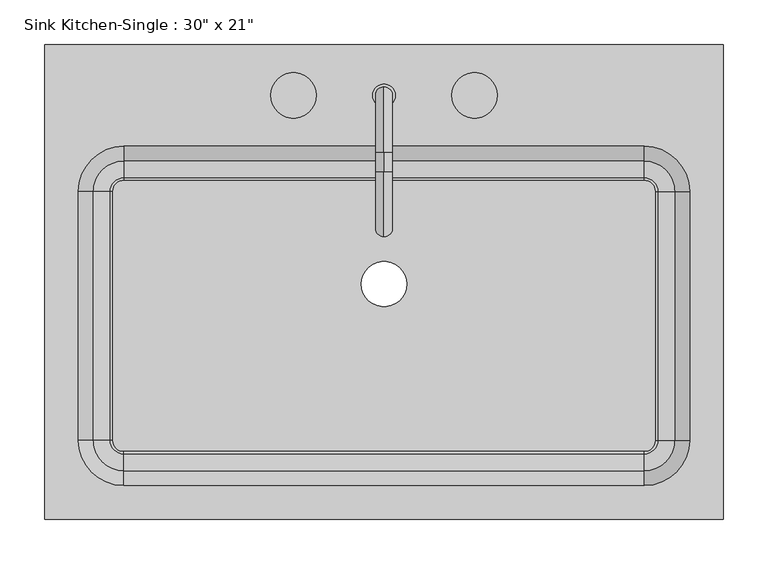
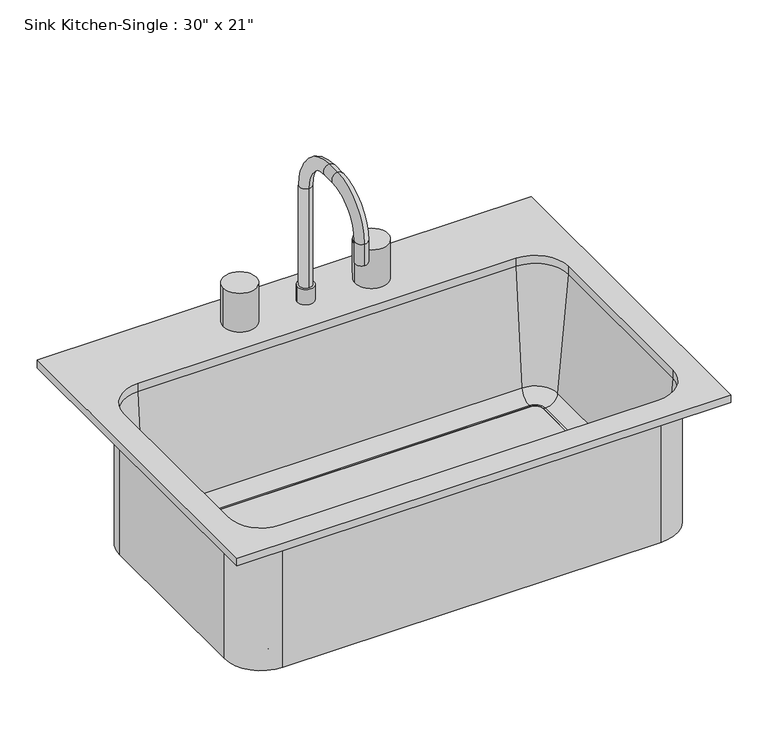
"""IFC4 building model written with IfcOpenShell, lengths in millimetres: flow terminal geometry."""

import ifcopenshell
import ifcopenshell.guid

model = None  # the IFC model being written
_history = None  # IfcOwnerHistory: only IFC2X3 demands one
_inside = {}  # id of a spatial element -> (the spatial element, [elements in it])
_under = {}  # id of a project, library or spatial element -> (it, [spatial elements below it])
_declared = {}  # id of a project -> (the project, [libraries it declares])
_typed = {}  # id of a type object -> (the type object, [elements of that type])
_made_of = {}  # id of a material, layer set ... -> (it, [elements and type objects made of it])


def new_model(schema):
    """Start an empty IFC model of exactly this schema.

    Asked for "IFC4X3", IfcOpenShell would pick the latest addendum, in which some entities
    have other attributes; the version numbers below select the first issue.
    IFC2X3 requires an IfcOwnerHistory on every rooted entity: one is made here for all.
    """
    global model, _history
    if schema == "IFC4X3":
        model = ifcopenshell.file(schema_version=(4, 3, 0, 0))
    else:
        model = ifcopenshell.file(schema=schema)
    _inside.clear()
    _under.clear()
    _declared.clear()
    _typed.clear()
    _made_of.clear()
    _history = None
    if model.schema == "IFC2X3":
        org = make("IfcOrganization", Name="unknown")
        user = make(
            "IfcPersonAndOrganization",
            ThePerson=make("IfcPerson", FamilyName="unknown"),
            TheOrganization=org,
        )
        app = make(
            "IfcApplication",
            ApplicationDeveloper=org,
            Version="unknown",
            ApplicationFullName="unknown",
            ApplicationIdentifier="unknown",
        )
        _history = make(
            "IfcOwnerHistory",
            OwningUser=user,
            OwningApplication=app,
            ChangeAction="ADDED",
            CreationDate=0,
        )
    return model


def make(cls, **values):
    """One entity of the class cls with the attributes given. An attribute that is None is left unset."""
    return model.create_entity(
        cls, **{name: value for name, value in values.items() if value is not None}
    )


def rooted(cls, **values):
    """An entity with a GlobalId (a new one), such as an element, a storey or a relation."""
    return make(cls, GlobalId=ifcopenshell.guid.new(), OwnerHistory=_history, **values)


def si_unit(unit_type, name, prefix=None):
    """IfcSIUnit, for example si_unit("LENGTHUNIT", "METRE", prefix="MILLI")."""
    return make("IfcSIUnit", UnitType=unit_type, Prefix=prefix, Name=name)


def assignment(units):
    """IfcUnitAssignment: the units of a project."""
    return None if units is None else make("IfcUnitAssignment", Units=units)


def point(xyz):
    """IfcCartesianPoint."""
    return None if xyz is None else make("IfcCartesianPoint", Coordinates=xyz)


def direction(xyz):
    """IfcDirection."""
    return None if xyz is None else make("IfcDirection", DirectionRatios=xyz)


def frame(location, z_axis=None, x_axis=None):
    """IfcAxis2Placement3D, a coordinate frame: its origin and axes. An axis left out is left unset."""
    return make(
        "IfcAxis2Placement3D",
        Location=point(location),
        Axis=direction(z_axis),
        RefDirection=direction(x_axis),
    )


def frame_2d(location, x_axis=None):
    """IfcAxis2Placement2D, a coordinate frame in the plane: its origin and x axis."""
    return make(
        "IfcAxis2Placement2D", Location=point(location), RefDirection=direction(x_axis)
    )


def origin():
    """The frame at (0, 0, 0) with its axes left unset."""
    return frame((0.0, 0.0, 0.0))


def place(relative_to, where):
    """IfcLocalPlacement: puts the frame where relative to a parent placement (None: the world)."""
    return make(
        "IfcLocalPlacement", PlacementRelTo=relative_to, RelativePlacement=where
    )


def context(
    kind, dimensions, precision=None, world=None, true_north=None, identifier=None
):
    """IfcGeometricRepresentationContext, for example the 3D "Model" context."""
    return make(
        "IfcGeometricRepresentationContext",
        ContextIdentifier=identifier,
        ContextType=kind,
        CoordinateSpaceDimension=dimensions,
        Precision=precision,
        WorldCoordinateSystem=world,
        TrueNorth=true_north,
    )


def project(units=None, contexts=None):
    """IfcProject with its units and contexts."""
    return rooted(
        "IfcProject",
        Name="project",
        RepresentationContexts=contexts,
        UnitsInContext=assignment(units),
    )


def spatial(cls, under=None, at=None, **own):
    """A site, building, storey or space (cls), placed at a placement, below another one or the project."""
    s = rooted(cls, ObjectPlacement=at, **own)
    if under is not None:
        _under.setdefault(under.id(), (under, []))[1].append(s)
    return s


def polyline(points):
    """IfcPolyline through the points."""
    return make("IfcPolyline", Points=[point(p) for p in points])


def circle_curve(where, radius):
    """IfcCircle in the frame where."""
    return make("IfcCircle", Position=where, Radius=radius)


def ellipse_curve(where, semi_axis1, semi_axis2):
    """IfcEllipse in the frame where."""
    return make(
        "IfcEllipse", Position=where, SemiAxis1=semi_axis1, SemiAxis2=semi_axis2
    )


def trimmed(basis, trim1, trim2, sense, master):
    """IfcTrimmedCurve: the piece of a basis curve between two trims."""
    return make(
        "IfcTrimmedCurve",
        BasisCurve=basis,
        Trim1=trim1,
        Trim2=trim2,
        SenseAgreement=sense,
        MasterRepresentation=master,
    )


def segment(curve, same_sense, transition):
    """IfcCompositeCurveSegment."""
    return make(
        "IfcCompositeCurveSegment",
        Transition=transition,
        SameSense=same_sense,
        ParentCurve=curve,
    )


def composite_curve(segments, self_intersect=None):
    """IfcCompositeCurve: segments joined end to end."""
    return make("IfcCompositeCurve", Segments=segments, SelfIntersect=self_intersect)


def outline(outer, holes=None, kind="AREA"):
    """IfcArbitraryClosedProfileDef: a profile drawn as a closed curve; with holes, ...WithVoids."""
    if holes is None:
        return make("IfcArbitraryClosedProfileDef", ProfileType=kind, OuterCurve=outer)
    return make(
        "IfcArbitraryProfileDefWithVoids",
        ProfileType=kind,
        OuterCurve=outer,
        InnerCurves=holes,
    )


def extrude(swept, where, along, depth):
    """IfcExtrudedAreaSolid: the profile swept, set in the frame where, extruded along a direction by depth."""
    return make(
        "IfcExtrudedAreaSolid",
        SweptArea=swept,
        Position=where,
        ExtrudedDirection=direction(along),
        Depth=depth,
    )


def shape(context_of_items, identifier, shape_type, items):
    """IfcShapeRepresentation: the items that make up one representation, for example the "Body"."""
    return make(
        "IfcShapeRepresentation",
        ContextOfItems=context_of_items,
        RepresentationIdentifier=identifier,
        RepresentationType=shape_type,
        Items=items,
    )


def source(mapping_origin, context_of_items, identifier, shape_type, items):
    """IfcRepresentationMap: a shape defined once, which mapped items show again and again."""
    return make(
        "IfcRepresentationMap",
        MappingOrigin=mapping_origin,
        MappedRepresentation=shape(context_of_items, identifier, shape_type, items),
    )


def transform(
    local_origin,
    x_axis=None,
    y_axis=None,
    z_axis=None,
    scale=None,
    scale2=None,
    scale3=None,
    uniform=True,
):
    """IfcCartesianTransformationOperator3D, or its non-uniform kind. x_axis, y_axis, z_axis: its Axis1, 2, 3."""
    if uniform:
        return make(
            "IfcCartesianTransformationOperator3D",
            Axis1=direction(x_axis),
            Axis2=direction(y_axis),
            LocalOrigin=point(local_origin),
            Scale=scale,
            Axis3=direction(z_axis),
        )
    return make(
        "IfcCartesianTransformationOperator3DnonUniform",
        Axis1=direction(x_axis),
        Axis2=direction(y_axis),
        LocalOrigin=point(local_origin),
        Scale=scale,
        Axis3=direction(z_axis),
        Scale2=scale2,
        Scale3=scale3,
    )


def mapped(mapping_source, mapping_target):
    """IfcMappedItem: shows the shape of a source again, moved by a transform."""
    return make(
        "IfcMappedItem", MappingSource=mapping_source, MappingTarget=mapping_target
    )


def made_of(thing, what):
    """Note that an element or type object is made of a material, layer set ...; save() writes the relation."""
    if what is not None:
        _made_of.setdefault(what.id(), (what, []))[1].append(thing)
    return thing


def element(
    cls,
    number,
    at=None,
    inside=None,
    cuts=None,
    type_object=None,
    material=None,
    context=None,
    identifier="Body",
    shape_type=None,
    held_by="IfcProductDefinitionShape",
    body=None,
    shapes=None,
    **own,
):
    """One element of the class cls, such as IfcWall. Its Tag is "e" and its number.

    at: its placement. inside: the storey or other place that contains it. cuts: it is an
    opening in that element (IfcRelVoidsElement). A single representation is given by context,
    identifier, shape_type and body (its items); several are given by shapes. held_by: the class
    of the entity that holds the representations. save() writes the other relations.
    """
    e = rooted(cls, Tag="e%d" % number, ObjectPlacement=at, **own)
    if body is not None:
        shapes = [shape(context, identifier, shape_type, body)]
    if shapes is not None:
        e.Representation = make(held_by, Representations=shapes)
    if inside is not None:
        _inside.setdefault(inside.id(), (inside, []))[1].append(e)
    if cuts is not None:
        rooted(
            "IfcRelVoidsElement", RelatingBuildingElement=cuts, RelatedOpeningElement=e
        )
    if type_object is not None:
        _typed.setdefault(type_object.id(), (type_object, []))[1].append(e)
    return made_of(e, material)


def aggregate(whole, parts):
    """IfcRelAggregates: a whole, such as a stair, and the parts it consists of."""
    return rooted("IfcRelAggregates", RelatingObject=whole, RelatedObjects=parts)


def save(model, path):
    """Write the relations noted so far, then the file.

    IfcRelAggregates (storeys below a building ...), IfcRelContainedInSpatialStructure (elements
    in a storey), IfcRelDefinesByType, IfcRelAssociatesMaterial and IfcRelDeclares: one each for
    every whole, place, type object, material and project.
    """
    for whole, parts in _under.values():
        aggregate(whole, parts)
    for where, things in _inside.values():
        rooted(
            "IfcRelContainedInSpatialStructure",
            RelatedElements=things,
            RelatingStructure=where,
        )
    for kind, things in _typed.values():
        rooted("IfcRelDefinesByType", RelatedObjects=things, RelatingType=kind)
    for what, things in _made_of.values():
        rooted("IfcRelAssociatesMaterial", RelatedObjects=things, RelatingMaterial=what)
    for by, libraries in _declared.values():
        rooted("IfcRelDeclares", RelatingContext=by, RelatedDefinitions=libraries)
    model.write(path)


def plane_surface(at):
    """IfcPlane: the flat surface through the origin of the frame at, square to its z axis."""
    return make("IfcPlane", Position=at)


def cylinder_surface(at, radius):
    """IfcCylindricalSurface: all points at the distance radius from the z axis of the frame at."""
    return make("IfcCylindricalSurface", Position=at, Radius=radius)


def revolved_surface(curve, axis_point, axis_direction):
    """IfcSurfaceOfRevolution: the curve turned about the line through axis_point along axis_direction."""
    return make(
        "IfcSurfaceOfRevolution",
        SweptCurve=make("IfcArbitraryOpenProfileDef", ProfileType="CURVE", Curve=curve),
        AxisPosition=make("IfcAxis1Placement", Location=point(axis_point), Axis=direction(axis_direction)),
    )


def advanced_brep(points, edges, surfaces, faces):
    """IfcAdvancedBrep: a solid bounded by faces that lie on surfaces and meet in shared edges.

    An edge is (start, end): straight between two places in points (the first is 0);
    or (start, end, curve); or (start, end, curve, False) where it runs against its curve.
    A face is (place in surfaces, loops), or (place, loops, False) where it looks against
    its surface's normal. A loop lists edges by number (the first is 1), with a minus sign
    where the edge is run from its end to its start. The first loop is the outer one.
    """
    corners = [point(p) for p in points]
    vertices = [make("IfcVertexPoint", VertexGeometry=c) for c in corners]
    made = []
    for start, end, *more in edges:
        made.append(
            make(
                "IfcEdgeCurve",
                EdgeStart=vertices[start],
                EdgeEnd=vertices[end],
                EdgeGeometry=more[0] if more else make("IfcPolyline", Points=[corners[start], corners[end]]),
                SameSense=more[1] if len(more) > 1 else True,
            )
        )
    hull = []
    for where, loops, *sense in faces:
        bounds = []
        for j, loop in enumerate(loops):
            ring = [make("IfcOrientedEdge", EdgeElement=made[abs(k) - 1], Orientation=k > 0) for k in loop]
            bounds.append(
                make(
                    "IfcFaceOuterBound" if j == 0 else "IfcFaceBound",
                    Bound=make("IfcEdgeLoop", EdgeList=ring),
                    Orientation=True,
                )
            )
        hull.append(make("IfcAdvancedFace", Bounds=bounds, FaceSurface=surfaces[where], SameSense=sense[0] if sense else True))
    return make("IfcAdvancedBrep", Outer=make("IfcClosedShell", CfsFaces=hull))


def flow_terminal_38af2918(model_context):
    return source(origin(), model_context, "Body", "SolidModel", [
        advanced_brep(
        [(396.6892406, 269.0454011, 927.1), (-365.3107594, 269.0454011, 927.1), (-365.3107594, -264.3545989, 927.1), (396.6892406, -264.3545989, 927.1), (307.7892406, 154.7454011, 927.1), (358.5892406, 103.9454011, 927.1), (358.5892406, -175.4545989, 927.1), (307.7892406, -226.2545989, 927.1), (-276.4107594, -226.2545989, 927.1), (-327.2107594, -175.4545989, 927.1), (-327.2107594, 103.9454011, 927.1), (-276.4107594, 154.7454011, 927.1), (396.6892406, 269.0454011, 914.4), (396.6892406, -264.3545989, 914.4), (-365.3107594, -264.3545989, 914.4), (-365.3107594, 269.0454011, 914.4), (364.9392406, 103.9454011, 914.4), (307.7892406, 161.0954011, 914.4), (-276.4107594, 161.0954011, 914.4), (-333.5607594, 103.9454011, 914.4), (-333.5607594, -175.4545989, 914.4), (-276.4107594, -232.6045989, 914.4), (307.7892406, -232.6045989, 914.4), (364.9392406, -175.4545989, 914.4), (307.7892406, 154.7454011, 914.4), (358.5892406, 103.9454011, 914.4), (358.5892406, -175.4545989, 914.4), (307.7892406, -226.2545989, 914.4), (-276.4107594, -226.2545989, 914.4), (-327.2107594, -175.4545989, 914.4), (-327.2107594, 103.9454011, 914.4), (-276.4107594, 154.7454011, 914.4), (364.9392406, 103.9454011, 698.5), (307.7892406, 161.0954011, 698.5), (320.4892406, 103.9454011, 698.5), (307.7892406, 116.6454011, 698.5), (320.4892406, 103.9454011, 708.025), (307.7892406, 116.6454011, 708.025), (323.0776588, 103.9454011, 708.025), (307.7892406, 119.2338193, 708.025), (342.0551678, 103.9454011, 725.4146831), (307.7892406, 138.2113283, 725.4146831), (364.9392406, -175.4545989, 698.5), (320.4892406, -175.4545989, 698.5), (320.4892406, -175.4545989, 708.025), (323.0776588, -175.4545989, 708.025), (342.0551678, -175.4545989, 725.4146831), (307.7892406, -232.6045989, 698.5), (307.7892406, -188.1545989, 698.5), (307.7892406, -188.1545989, 708.025), (307.7892406, -190.7430171, 708.025), (307.7892406, -209.7205261, 725.4146831), (-276.4107594, -232.6045989, 698.5), (-276.4107594, -188.1545989, 698.5), (-276.4107594, -188.1545989, 708.025), (-276.4107594, -190.7430171, 708.025), (-276.4107594, -209.7205261, 725.4146831), (-333.5607594, -175.4545989, 698.5), (-289.1107594, -175.4545989, 698.5), (-289.1107594, -175.4545989, 708.025), (-291.6991776, -175.4545989, 708.025), (-310.6766866, -175.4545989, 725.4146831), (-333.5607594, 103.9454011, 698.5), (-289.1107594, 103.9454011, 698.5), (-289.1107594, 103.9454011, 708.025), (-291.6991776, 103.9454011, 708.025), (-310.6766866, 103.9454011, 725.4146831), (-276.4107594, 161.0954011, 698.5), (-276.4107594, 116.6454011, 698.5), (-276.4107594, 116.6454011, 708.025), (-276.4107594, 119.2338193, 708.025), (-276.4107594, 138.2113283, 725.4146831)],
        [
            (0, 1),
            (1, 2),
            (2, 3),
            (3, 0),
            (4, 5, circle_curve(frame((307.7892406, 103.9454011, 927.1), z_axis=(0.0, 0.0, -1.0), x_axis=(1.0, 0.0, 0.0)), 50.8)),
            (5, 6),
            (6, 7, circle_curve(frame((307.7892406, -175.4545989, 927.1), z_axis=(0.0, 0.0, -1.0), x_axis=(1.0, 0.0, 0.0)), 50.8)),
            (7, 8),
            (8, 9, circle_curve(frame((-276.4107594, -175.4545989, 927.1), z_axis=(0.0, 0.0, -1.0), x_axis=(1.0, 0.0, 0.0)), 50.8)),
            (9, 10),
            (10, 11, circle_curve(frame((-276.4107594, 103.9454011, 927.1), z_axis=(0.0, 0.0, -1.0), x_axis=(1.0, 0.0, 0.0)), 50.8)),
            (11, 4),
            (12, 13),
            (13, 14),
            (14, 15),
            (15, 12),
            (16, 17, circle_curve(frame((307.7892406, 103.9454011, 914.4), z_axis=(0.0, 0.0, 1.0), x_axis=(0.0, 1.0, 0.0)), 57.15)),
            (17, 18),
            (18, 19, circle_curve(frame((-276.4107594, 103.9454011, 914.4), z_axis=(0.0, 0.0, 1.0), x_axis=(-1.0, 0.0, 0.0)), 57.15)),
            (19, 20),
            (20, 21, circle_curve(frame((-276.4107594, -175.4545989, 914.4), z_axis=(0.0, 0.0, 1.0), x_axis=(0.0, -1.0, 0.0)), 57.15)),
            (21, 22),
            (22, 23, circle_curve(frame((307.7892406, -175.4545989, 914.4), z_axis=(0.0, 0.0, 1.0), x_axis=(1.0, 0.0, 0.0)), 57.15)),
            (23, 16),
            (0, 12),
            (15, 1),
            (14, 2),
            (13, 3),
            (4, 24),
            (24, 25, circle_curve(frame((307.7892406, 103.9454011, 914.4), z_axis=(0.0, 0.0, -1.0), x_axis=(1.0, 0.0, 0.0)), 50.8)),
            (25, 5),
            (25, 26),
            (26, 6),
            (26, 27, circle_curve(frame((307.7892406, -175.4545989, 914.4), z_axis=(0.0, 0.0, -1.0), x_axis=(1.0, 0.0, 0.0)), 50.8)),
            (27, 7),
            (27, 28),
            (28, 8),
            (28, 29, circle_curve(frame((-276.4107594, -175.4545989, 914.4), z_axis=(0.0, 0.0, -1.0), x_axis=(1.0, 0.0, 0.0)), 50.8)),
            (29, 9),
            (29, 30),
            (30, 10),
            (30, 31, circle_curve(frame((-276.4107594, 103.9454011, 914.4), z_axis=(0.0, 0.0, -1.0), x_axis=(1.0, 0.0, 0.0)), 50.8)),
            (31, 11),
            (31, 24),
            (32, 33, circle_curve(frame((307.7892406, 103.9454011, 698.5), z_axis=(0.0, 0.0, 1.0), x_axis=(0.0, 1.0, 0.0)), 57.15)),
            (33, 17),
            (16, 32),
            (32, 34),
            (34, 35, circle_curve(frame((307.7892406, 103.9454011, 698.5), z_axis=(0.0, 0.0, 1.0), x_axis=(0.0, 1.0, 0.0)), 12.7)),
            (35, 33),
            (34, 36),
            (36, 37, circle_curve(frame((307.7892406, 103.9454011, 708.025), z_axis=(0.0, 0.0, 1.0), x_axis=(0.0, 1.0, 0.0)), 12.7)),
            (37, 35),
            (36, 38),
            (38, 39, circle_curve(frame((307.7892406, 103.9454011, 708.025), z_axis=(0.0, 0.0, 1.0), x_axis=(0.0, 1.0, 0.0)), 15.2884182)),
            (39, 37),
            (38, 40, circle_curve(frame((323.0776588, 103.9454011, 727.075), z_axis=(0.0, -1.0, 0.0), x_axis=(1.0, 0.0, 0.0)), 19.05)),
            (40, 41, circle_curve(frame((307.7892406, 103.9454011, 725.4146831), z_axis=(0.0, 0.0, 1.0), x_axis=(0.0, 1.0, 0.0)), 34.2659272)),
            (41, 39, circle_curve(frame((307.7892406, 119.2338193, 727.075), z_axis=(-1.0, 0.0, 0.0), x_axis=(0.0, 1.0, 0.0)), 19.05)),
            (40, 25),
            (24, 41),
            (23, 42),
            (42, 32),
            (42, 43),
            (43, 34),
            (43, 44),
            (44, 36),
            (44, 45),
            (45, 38),
            (45, 46, circle_curve(frame((323.0776588, -175.4545989, 727.075), z_axis=(0.0, -1.0, 0.0), x_axis=(1.0, 0.0, 0.0)), 19.05)),
            (46, 40),
            (46, 26),
            (22, 47),
            (47, 42, circle_curve(frame((307.7892406, -175.4545989, 698.5), z_axis=(0.0, 0.0, 1.0), x_axis=(1.0, 0.0, 0.0)), 57.15)),
            (47, 48),
            (48, 43, circle_curve(frame((307.7892406, -175.4545989, 698.5), z_axis=(0.0, 0.0, 1.0), x_axis=(1.0, 0.0, 0.0)), 12.7)),
            (48, 49),
            (49, 44, circle_curve(frame((307.7892406, -175.4545989, 708.025), z_axis=(0.0, 0.0, 1.0), x_axis=(1.0, 0.0, 0.0)), 12.7)),
            (49, 50),
            (50, 45, circle_curve(frame((307.7892406, -175.4545989, 708.025), z_axis=(0.0, 0.0, 1.0), x_axis=(1.0, 0.0, 0.0)), 15.2884182)),
            (50, 51, circle_curve(frame((307.7892406, -190.7430171, 727.075), z_axis=(-1.0, 0.0, 0.0), x_axis=(0.0, -1.0, 0.0)), 19.05)),
            (51, 46, circle_curve(frame((307.7892406, -175.4545989, 725.4146831), z_axis=(0.0, 0.0, 1.0), x_axis=(1.0, 0.0, 0.0)), 34.2659272)),
            (51, 27),
            (21, 52),
            (52, 47),
            (52, 53),
            (53, 48),
            (53, 54),
            (54, 49),
            (54, 55),
            (55, 50),
            (55, 56, circle_curve(frame((-276.4107594, -190.7430171, 727.075), z_axis=(-1.0, 0.0, 0.0), x_axis=(0.0, -1.0, 0.0)), 19.05)),
            (56, 51),
            (56, 28),
            (20, 57),
            (57, 52, circle_curve(frame((-276.4107594, -175.4545989, 698.5), z_axis=(0.0, 0.0, 1.0), x_axis=(0.0, -1.0, 0.0)), 57.15)),
            (57, 58),
            (58, 53, circle_curve(frame((-276.4107594, -175.4545989, 698.5), z_axis=(0.0, 0.0, 1.0), x_axis=(0.0, -1.0, 0.0)), 12.7)),
            (58, 59),
            (59, 54, circle_curve(frame((-276.4107594, -175.4545989, 708.025), z_axis=(0.0, 0.0, 1.0), x_axis=(0.0, -1.0, 0.0)), 12.7)),
            (59, 60),
            (60, 55, circle_curve(frame((-276.4107594, -175.4545989, 708.025), z_axis=(0.0, 0.0, 1.0), x_axis=(0.0, -1.0, 0.0)), 15.2884182)),
            (60, 61, circle_curve(frame((-291.6991776, -175.4545989, 727.075), z_axis=(0.0, 1.0, 0.0), x_axis=(-1.0, 0.0, 0.0)), 19.05)),
            (61, 56, circle_curve(frame((-276.4107594, -175.4545989, 725.4146831), z_axis=(0.0, 0.0, 1.0), x_axis=(0.0, -1.0, 0.0)), 34.2659272)),
            (61, 29),
            (19, 62),
            (62, 57),
            (62, 63),
            (63, 58),
            (63, 64),
            (64, 59),
            (64, 65),
            (65, 60),
            (65, 66, circle_curve(frame((-291.6991776, 103.9454011, 727.075), z_axis=(0.0, 1.0, 0.0), x_axis=(-1.0, 0.0, 0.0)), 19.05)),
            (66, 61),
            (66, 30),
            (18, 67),
            (67, 62, circle_curve(frame((-276.4107594, 103.9454011, 698.5), z_axis=(0.0, 0.0, 1.0), x_axis=(-1.0, 0.0, 0.0)), 57.15)),
            (67, 68),
            (68, 63, circle_curve(frame((-276.4107594, 103.9454011, 698.5), z_axis=(0.0, 0.0, 1.0), x_axis=(-1.0, 0.0, 0.0)), 12.7)),
            (68, 69),
            (69, 64, circle_curve(frame((-276.4107594, 103.9454011, 708.025), z_axis=(0.0, 0.0, 1.0), x_axis=(-1.0, 0.0, 0.0)), 12.7)),
            (69, 70),
            (70, 65, circle_curve(frame((-276.4107594, 103.9454011, 708.025), z_axis=(0.0, 0.0, 1.0), x_axis=(-1.0, 0.0, 0.0)), 15.2884182)),
            (70, 71, circle_curve(frame((-276.4107594, 119.2338193, 727.075), z_axis=(1.0, 0.0, 0.0), x_axis=(0.0, 1.0, 0.0)), 19.05)),
            (71, 66, circle_curve(frame((-276.4107594, 103.9454011, 725.4146831), z_axis=(0.0, 0.0, 1.0), x_axis=(-1.0, 0.0, 0.0)), 34.2659272)),
            (71, 31),
            (33, 67),
            (35, 68),
            (37, 69),
            (39, 70),
            (41, 71),
        ],
        [
            plane_surface(frame((-365.3107594, 269.0454011, 927.1), z_axis=(0.0, 0.0, 1.0), x_axis=(-1.0, 0.0, 0.0))),
            plane_surface(frame((-365.3107594, 269.0454011, 914.4), z_axis=(0.0, 0.0, -1.0), x_axis=(1.0, 0.0, 0.0))),
            plane_surface(frame((396.6892406, 269.0454011, 927.1), z_axis=(0.0, 1.0, 0.0), x_axis=(0.0, 0.0, -1.0))),
            plane_surface(frame((-365.3107594, 269.0454011, 927.1), z_axis=(-1.0, 0.0, 0.0), x_axis=(0.0, 0.0, -1.0))),
            plane_surface(frame((-365.3107594, -264.3545989, 927.1), z_axis=(0.0, -1.0, 0.0), x_axis=(0.0, 0.0, -1.0))),
            plane_surface(frame((396.6892406, -264.3545989, 927.1), z_axis=(1.0, 0.0, 0.0), x_axis=(0.0, 0.0, -1.0))),
            revolved_surface(polyline([(358.58924060000004, 103.9454011, 914.4), (358.58924060000004, 103.9454011, 927.1)]), (307.7892406, 103.9454011, 0.0), (0.0, 0.0, -1.0)),
            plane_surface(frame((358.5892406, 103.9454011, 927.1), z_axis=(-1.0, 0.0, 0.0), x_axis=(0.0, 0.0, -1.0))),
            revolved_surface(polyline([(358.58924060000004, -175.4545989, 914.4), (358.58924060000004, -175.4545989, 927.1)]), (307.7892406, -175.4545989, 0.0), (0.0, 0.0, -1.0)),
            plane_surface(frame((307.7892406, -226.2545989, 927.1), z_axis=(0.0, 1.0, 0.0), x_axis=(0.0, 0.0, -1.0))),
            revolved_surface(polyline([(-225.6107594, -175.4545989, 914.4), (-225.6107594, -175.4545989, 927.1)]), (-276.4107594, -175.4545989, 0.0), (0.0, 0.0, -1.0)),
            plane_surface(frame((-327.2107594, -175.4545989, 927.1), z_axis=(1.0, 0.0, 0.0), x_axis=(0.0, 0.0, -1.0))),
            revolved_surface(polyline([(-225.6107594, 103.9454011, 914.4), (-225.6107594, 103.9454011, 927.1)]), (-276.4107594, 103.9454011, 0.0), (0.0, 0.0, -1.0)),
            plane_surface(frame((-276.4107594, 154.7454011, 927.1), z_axis=(0.0, -1.0, 0.0), x_axis=(0.0, 0.0, -1.0))),
            cylinder_surface(frame((307.7892406, 103.9454011, 0.0), z_axis=(0.0, 0.0, -1.0), x_axis=(0.0, 1.0, 0.0)), 57.15),
            plane_surface(frame((307.7892406, 103.9454011, 698.5), z_axis=(0.0, 0.0, -1.0), x_axis=(0.0, 1.0, 0.0))),
            revolved_surface(polyline([(307.7892406, 116.6454011, 698.5), (307.7892406, 116.6454011, 708.025)]), (307.7892406, 103.9454011, 0.0), (0.0, 0.0, -1.0)),
            plane_surface(frame((307.7892406, 103.9454011, 708.025), z_axis=(0.0, 0.0, 1.0), x_axis=(0.0, 1.0, 0.0))),
            revolved_surface(trimmed(ellipse_curve(frame((307.7892406, 119.2338193, 727.075), z_axis=(1.0, 0.0, 0.0), x_axis=(0.0, 1.0, 0.0)), 19.05, 19.05), [point((307.7892406, 119.2338193, 708.025))], [point((307.7892406, 138.2113283, 725.4146831))], True, "CARTESIAN"), (307.7892406, 103.9454011, 0.0), (0.0, 0.0, -1.0)),
            revolved_surface(polyline([(307.7892406, 138.2113283, 725.4146831), (307.7892406, 154.7454011, 914.4)]), (307.7892406, 103.9454011, 0.0), (0.0, 0.0, -1.0)),
            plane_surface(frame((364.9392406, 103.9454011, 914.4), z_axis=(1.0, 0.0, 0.0), x_axis=(0.0, -1.0, 0.0))),
            plane_surface(frame((364.9392406, 103.9454011, 698.5), z_axis=(0.0, 0.0, -1.0), x_axis=(0.0, -1.0, 0.0))),
            plane_surface(frame((320.4892406, 103.9454011, 698.5), z_axis=(-1.0, 0.0, 0.0), x_axis=(0.0, -1.0, 0.0))),
            plane_surface(frame((320.4892406, 103.9454011, 708.025), z_axis=(0.0, 0.0, 1.0), x_axis=(0.0, -1.0, 0.0))),
            revolved_surface(polyline([(342.1276588, -175.45459889999998, 727.075), (342.1276588, 103.9454011, 727.075)]), (323.0776588, 103.9454011, 727.075), (0.0, -1.0, 0.0)),
            plane_surface(frame((342.0551678, 103.9454011, 725.4146831), z_axis=(-0.9961946980917442, 0.0, 0.08715574274767306), x_axis=(0.0, -1.0, 0.0))),
            cylinder_surface(frame((307.7892406, -175.4545989, 0.0), z_axis=(0.0, 0.0, -1.0), x_axis=(1.0, 0.0, 0.0)), 57.15),
            plane_surface(frame((307.7892406, -175.4545989, 698.5), z_axis=(0.0, 0.0, -1.0), x_axis=(1.0, 0.0, 0.0))),
            revolved_surface(polyline([(320.4892406, -175.4545989, 698.5), (320.4892406, -175.4545989, 708.025)]), (307.7892406, -175.4545989, 0.0), (0.0, 0.0, -1.0)),
            plane_surface(frame((307.7892406, -175.4545989, 708.025), z_axis=(0.0, 0.0, 1.0), x_axis=(1.0, 0.0, 0.0))),
            revolved_surface(trimmed(ellipse_curve(frame((323.0776588, -175.4545989, 727.075), z_axis=(0.0, -1.0, 0.0), x_axis=(1.0, 0.0, 0.0)), 19.05, 19.05), [point((323.0776588, -175.4545989, 708.025))], [point((342.0551678, -175.4545989, 725.4146831))], True, "CARTESIAN"), (307.7892406, -175.4545989, 0.0), (0.0, 0.0, -1.0)),
            revolved_surface(polyline([(342.0551678, -175.4545989, 725.4146831), (358.5892406, -175.4545989, 914.4)]), (307.7892406, -175.4545989, 0.0), (0.0, 0.0, -1.0)),
            plane_surface(frame((307.7892406, -232.6045989, 914.4), z_axis=(0.0, -1.0, 0.0), x_axis=(-1.0, 0.0, 0.0))),
            plane_surface(frame((307.7892406, -232.6045989, 698.5), z_axis=(0.0, 0.0, -1.0), x_axis=(-1.0, 0.0, 0.0))),
            plane_surface(frame((307.7892406, -188.1545989, 698.5), z_axis=(0.0, 1.0, 0.0), x_axis=(-1.0, 0.0, 0.0))),
            plane_surface(frame((307.7892406, -188.1545989, 708.025), z_axis=(0.0, 0.0, 1.0), x_axis=(-1.0, 0.0, 0.0))),
            revolved_surface(polyline([(-276.4107594, -209.79301710000001, 727.075), (307.7892406, -209.79301710000001, 727.075)]), (307.7892406, -190.7430171, 727.075), (-1.0, 0.0, 0.0)),
            plane_surface(frame((307.7892406, -209.7205261, 725.4146831), z_axis=(0.0, 0.9961946980917442, 0.08715574274767306), x_axis=(-1.0, 0.0, 0.0))),
            cylinder_surface(frame((-276.4107594, -175.4545989, 0.0), z_axis=(0.0, 0.0, -1.0), x_axis=(0.0, -1.0, 0.0)), 57.15),
            plane_surface(frame((-276.4107594, -175.4545989, 698.5), z_axis=(0.0, 0.0, -1.0), x_axis=(0.0, -1.0, 0.0))),
            revolved_surface(polyline([(-276.4107594, -188.1545989, 698.5), (-276.4107594, -188.1545989, 708.025)]), (-276.4107594, -175.4545989, 0.0), (0.0, 0.0, -1.0)),
            plane_surface(frame((-276.4107594, -175.4545989, 708.025), z_axis=(0.0, 0.0, 1.0), x_axis=(0.0, -1.0, 0.0))),
            revolved_surface(trimmed(ellipse_curve(frame((-276.4107594, -190.7430171, 727.075), z_axis=(-1.0, 0.0, 0.0), x_axis=(0.0, -1.0, 0.0)), 19.05, 19.05), [point((-276.4107594, -190.7430171, 708.025))], [point((-276.4107594, -209.7205261, 725.4146831))], True, "CARTESIAN"), (-276.4107594, -175.4545989, 0.0), (0.0, 0.0, -1.0)),
            revolved_surface(polyline([(-276.4107594, -209.7205261, 725.4146831), (-276.4107594, -226.2545989, 914.4)]), (-276.4107594, -175.4545989, 0.0), (0.0, 0.0, -1.0)),
            plane_surface(frame((-333.5607594, -175.4545989, 914.4), z_axis=(-1.0, 0.0, 0.0), x_axis=(0.0, 1.0, 0.0))),
            plane_surface(frame((-333.5607594, -175.4545989, 698.5), z_axis=(0.0, 0.0, -1.0), x_axis=(0.0, 1.0, 0.0))),
            plane_surface(frame((-289.1107594, -175.4545989, 698.5), z_axis=(1.0, 0.0, 0.0), x_axis=(0.0, 1.0, 0.0))),
            plane_surface(frame((-289.1107594, -175.4545989, 708.025), z_axis=(0.0, 0.0, 1.0), x_axis=(0.0, 1.0, 0.0))),
            revolved_surface(polyline([(-310.7491776, 103.94540109999997, 727.075), (-310.7491776, -175.4545989, 727.075)]), (-291.6991776, -175.4545989, 727.075), (0.0, 1.0, 0.0)),
            plane_surface(frame((-310.6766866, -175.4545989, 725.4146831), z_axis=(0.9961946980917442, 0.0, 0.08715574274767306), x_axis=(0.0, 1.0, 0.0))),
            cylinder_surface(frame((-276.4107594, 103.9454011, 0.0), z_axis=(0.0, 0.0, -1.0), x_axis=(-1.0, 0.0, 0.0)), 57.15),
            plane_surface(frame((-276.4107594, 103.9454011, 698.5), z_axis=(0.0, 0.0, -1.0), x_axis=(-1.0, 0.0, 0.0))),
            revolved_surface(polyline([(-289.1107594, 103.9454011, 698.5), (-289.1107594, 103.9454011, 708.025)]), (-276.4107594, 103.9454011, 0.0), (0.0, 0.0, -1.0)),
            plane_surface(frame((-276.4107594, 103.9454011, 708.025), z_axis=(0.0, 0.0, 1.0), x_axis=(-1.0, 0.0, 0.0))),
            revolved_surface(trimmed(ellipse_curve(frame((-291.6991776, 103.9454011, 727.075), z_axis=(0.0, 1.0, 0.0), x_axis=(-1.0, 0.0, 0.0)), 19.05, 19.05), [point((-291.6991776, 103.9454011, 708.025))], [point((-310.6766866, 103.9454011, 725.4146831))], True, "CARTESIAN"), (-276.4107594, 103.9454011, 0.0), (0.0, 0.0, -1.0)),
            revolved_surface(polyline([(-310.6766866, 103.9454011, 725.4146831), (-327.2107594, 103.9454011, 914.4)]), (-276.4107594, 103.9454011, 0.0), (0.0, 0.0, -1.0)),
            plane_surface(frame((-276.4107594, 161.0954011, 914.4), z_axis=(0.0, 1.0, 0.0), x_axis=(1.0, 0.0, 0.0))),
            plane_surface(frame((-276.4107594, 161.0954011, 698.5), z_axis=(0.0, 0.0, -1.0), x_axis=(1.0, 0.0, 0.0))),
            plane_surface(frame((-276.4107594, 116.6454011, 698.5), z_axis=(0.0, -1.0, 0.0), x_axis=(1.0, 0.0, 0.0))),
            plane_surface(frame((-276.4107594, 116.6454011, 708.025), z_axis=(0.0, 0.0, 1.0), x_axis=(1.0, 0.0, 0.0))),
            revolved_surface(polyline([(307.7892406, 138.2838193, 727.075), (-276.4107594, 138.2838193, 727.075)]), (-276.4107594, 119.2338193, 727.075), (1.0, 0.0, 0.0)),
            plane_surface(frame((-276.4107594, 138.2113283, 725.4146831), z_axis=(0.0, -0.9961946980917442, 0.08715574274767306), x_axis=(1.0, 0.0, 0.0))),
        ],
        [
            (0, [[1, 2, 3, 4], [5, 6, 7, 8, 9, 10, 11, 12]]),
            (1, [[13, 14, 15, 16], [17, 18, 19, 20, 21, 22, 23, 24]]),
            (2, [[-1, 25, -16, 26]]),
            (3, [[-2, -26, -15, 27]]),
            (4, [[-3, -27, -14, 28]]),
            (5, [[-4, -28, -13, -25]]),
            (6, [[-5, 29, 30, 31]]),
            (7, [[-6, -31, 32, 33]]),
            (8, [[-7, -33, 34, 35]]),
            (9, [[-8, -35, 36, 37]]),
            (10, [[-9, -37, 38, 39]]),
            (11, [[-10, -39, 40, 41]]),
            (12, [[-11, -41, 42, 43]]),
            (13, [[-12, -43, 44, -29]]),
            (14, [[45, 46, -17, 47]]),
            (15, [[-45, 48, 49, 50]]),
            (16, [[-49, 51, 52, 53]]),
            (17, [[-52, 54, 55, 56]]),
            (18, [[-55, 57, 58, 59]]),
            (19, [[-58, 60, -30, 61]]),
            (20, [[-47, -24, 62, 63]]),
            (21, [[-48, -63, 64, 65]]),
            (22, [[-51, -65, 66, 67]]),
            (23, [[-54, -67, 68, 69]]),
            (24, [[-57, -69, 70, 71]]),
            (25, [[-60, -71, 72, -32]]),
            (26, [[-62, -23, 73, 74]]),
            (27, [[-64, -74, 75, 76]]),
            (28, [[-66, -76, 77, 78]]),
            (29, [[-68, -78, 79, 80]]),
            (30, [[-70, -80, 81, 82]]),
            (31, [[-72, -82, 83, -34]]),
            (32, [[-73, -22, 84, 85]]),
            (33, [[-75, -85, 86, 87]]),
            (34, [[-77, -87, 88, 89]]),
            (35, [[-79, -89, 90, 91]]),
            (36, [[-81, -91, 92, 93]]),
            (37, [[-83, -93, 94, -36]]),
            (38, [[-84, -21, 95, 96]]),
            (39, [[-86, -96, 97, 98]]),
            (40, [[-88, -98, 99, 100]]),
            (41, [[-90, -100, 101, 102]]),
            (42, [[-92, -102, 103, 104]]),
            (43, [[-94, -104, 105, -38]]),
            (44, [[-95, -20, 106, 107]]),
            (45, [[-97, -107, 108, 109]]),
            (46, [[-99, -109, 110, 111]]),
            (47, [[-101, -111, 112, 113]]),
            (48, [[-103, -113, 114, 115]]),
            (49, [[-105, -115, 116, -40]]),
            (50, [[-106, -19, 117, 118]]),
            (51, [[-108, -118, 119, 120]]),
            (52, [[-110, -120, 121, 122]]),
            (53, [[-112, -122, 123, 124]]),
            (54, [[-114, -124, 125, 126]]),
            (55, [[-116, -126, 127, -42]]),
            (56, [[-46, 128, -117, -18]]),
            (57, [[-50, 129, -119, -128]]),
            (58, [[-53, 130, -121, -129]]),
            (59, [[-56, 131, -123, -130]]),
            (60, [[-59, 132, -125, -131]]),
            (61, [[-61, -44, -127, -132]]),
        ],
    ),
        advanced_brep(
        [(2.9892406, 211.8954011, 927.1), (28.3892406, 211.8954011, 927.1), (15.6892406, 221.4204011, 1114.425), (15.6892406, 202.3704011, 1114.425), (15.6892406, 202.3704011, 952.5), (15.6892406, 221.4204011, 952.5), (15.6892406, 148.3954011, 1187.45), (15.6892406, 148.3954011, 1168.4), (15.6892406, 126.1704011, 1187.45), (15.6892406, 126.1704011, 1168.4), (15.6892406, 53.1454011, 1114.425), (15.6892406, 72.1954011, 1114.425), (15.6892406, 53.1454011, 1079.5), (15.6892406, 72.1954011, 1079.5), (2.9892406, 211.8954011, 952.5), (28.3892406, 211.8954011, 952.5)],
        [
            (0, 1, circle_curve(frame((15.6892406, 211.8954011, 927.1), z_axis=(0.0, 0.0, -1.0), x_axis=(1.0, 0.0, 0.0)), 12.7)),
            (1, 0, circle_curve(frame((15.6892406, 211.8954011, 927.1), z_axis=(0.0, 0.0, -1.0), x_axis=(1.0, 0.0, 0.0)), 12.7)),
            (2, 3, circle_curve(frame((15.6892406, 211.8954011, 1114.425), z_axis=(0.0, 0.0, -1.0), x_axis=(0.0, -1.0, 0.0)), 9.525)),
            (3, 4),
            (4, 5, circle_curve(frame((15.6892406, 211.8954011, 952.5), z_axis=(0.0, 0.0, 1.0), x_axis=(0.0, -1.0, 0.0)), 9.525)),
            (5, 2),
            (3, 2, circle_curve(frame((15.6892406, 211.8954011, 1114.425), z_axis=(0.0, 0.0, -1.0), x_axis=(0.0, -1.0, 0.0)), 9.525)),
            (5, 4, circle_curve(frame((15.6892406, 211.8954011, 952.5), z_axis=(0.0, 0.0, 1.0), x_axis=(0.0, -1.0, 0.0)), 9.525)),
            (2, 6, circle_curve(frame((15.6892406, 148.3954011, 1114.425), z_axis=(1.0, 0.0, 0.0), x_axis=(0.0, 1.0, 0.0)), 73.025)),
            (6, 7, circle_curve(frame((15.6892406, 148.3954011, 1177.925), z_axis=(0.0, 1.0, 0.0), x_axis=(0.0, 0.0, -1.0)), 9.525)),
            (7, 3, circle_curve(frame((15.6892406, 148.3954011, 1114.425), z_axis=(-1.0, 0.0, 0.0), x_axis=(0.0, 1.0, 0.0)), 53.975)),
            (7, 6, circle_curve(frame((15.6892406, 148.3954011, 1177.925), z_axis=(0.0, 1.0, 0.0), x_axis=(0.0, 0.0, -1.0)), 9.525)),
            (6, 8),
            (8, 9, circle_curve(frame((15.6892406, 126.1704011, 1177.925), z_axis=(0.0, 1.0, 0.0), x_axis=(0.0, 0.0, -1.0)), 9.525)),
            (9, 7),
            (9, 8, circle_curve(frame((15.6892406, 126.1704011, 1177.925), z_axis=(0.0, 1.0, 0.0), x_axis=(0.0, 0.0, -1.0)), 9.525)),
            (8, 10, circle_curve(frame((15.6892406, 126.1704011, 1114.425), z_axis=(1.0, 0.0, 0.0), x_axis=(0.0, 0.0, 1.0)), 73.025)),
            (10, 11, circle_curve(frame((15.6892406, 62.6704011, 1114.425), z_axis=(0.0, 0.0, 1.0), x_axis=(0.0, 1.0, 0.0)), 9.525)),
            (11, 9, circle_curve(frame((15.6892406, 126.1704011, 1114.425), z_axis=(-1.0, 0.0, 0.0), x_axis=(0.0, 0.0, 1.0)), 53.975)),
            (11, 10, circle_curve(frame((15.6892406, 62.6704011, 1114.425), z_axis=(0.0, 0.0, 1.0), x_axis=(0.0, 1.0, 0.0)), 9.525)),
            (12, 13, circle_curve(frame((15.6892406, 62.6704011, 1079.5), z_axis=(0.0, 0.0, -1.0), x_axis=(0.0, 1.0, 0.0)), 9.525)),
            (13, 12, circle_curve(frame((15.6892406, 62.6704011, 1079.5), z_axis=(0.0, 0.0, -1.0), x_axis=(0.0, 1.0, 0.0)), 9.525)),
            (10, 12),
            (13, 11),
            (14, 15, circle_curve(frame((15.6892406, 211.8954011, 952.5), z_axis=(0.0, 0.0, 1.0), x_axis=(1.0, 0.0, 0.0)), 12.7)),
            (15, 14, circle_curve(frame((15.6892406, 211.8954011, 952.5), z_axis=(0.0, 0.0, 1.0), x_axis=(1.0, 0.0, 0.0)), 12.7)),
            (14, 0),
            (1, 15),
        ],
        [
            plane_surface(frame((15.6892406, 202.3704011, 927.1), z_axis=(0.0, 0.0, -1.0), x_axis=(1.0, 0.0, 0.0))),
            cylinder_surface(frame((15.6892406, 211.8954011, 927.1), z_axis=(0.0, 0.0, -1.0), x_axis=(0.0, -1.0, 0.0)), 9.525),
            revolved_surface(trimmed(ellipse_curve(frame((15.6892406, 211.8954011, 1114.425), z_axis=(0.0, 0.0, -1.0), x_axis=(0.0, -1.0, 0.0)), 9.525, 9.525), [point((15.6892406, 221.4204011, 1114.425))], [point((15.6892406, 202.3704011, 1114.425))], True, "CARTESIAN"), (15.6892406, 148.3954011, 1114.425), (1.0, 0.0, 0.0)),
            revolved_surface(trimmed(ellipse_curve(frame((15.6892406, 211.8954011, 1114.425), z_axis=(0.0, 0.0, -1.0), x_axis=(0.0, -1.0, 0.0)), 9.525, 9.525), [point((15.6892406, 202.3704011, 1114.425))], [point((15.6892406, 221.4204011, 1114.425))], True, "CARTESIAN"), (15.6892406, 148.3954011, 1114.425), (1.0, 0.0, 0.0)),
            cylinder_surface(frame((15.6892406, 148.3954011, 1177.925), z_axis=(0.0, 1.0, 0.0), x_axis=(0.0, 0.0, -1.0)), 9.525),
            revolved_surface(trimmed(ellipse_curve(frame((15.6892406, 126.1704011, 1177.925), z_axis=(0.0, 1.0, 0.0), x_axis=(0.0, 0.0, -1.0)), 9.525, 9.525), [point((15.6892406, 126.1704011, 1187.45))], [point((15.6892406, 126.1704011, 1168.4))], True, "CARTESIAN"), (15.6892406, 126.1704011, 1114.425), (1.0, 0.0, 0.0)),
            revolved_surface(trimmed(ellipse_curve(frame((15.6892406, 126.1704011, 1177.925), z_axis=(0.0, 1.0, 0.0), x_axis=(0.0, 0.0, -1.0)), 9.525, 9.525), [point((15.6892406, 126.1704011, 1168.4))], [point((15.6892406, 126.1704011, 1187.45))], True, "CARTESIAN"), (15.6892406, 126.1704011, 1114.425), (1.0, 0.0, 0.0)),
            plane_surface(frame((15.6892406, 53.1454011, 1079.5), z_axis=(0.0, 0.0, -1.0), x_axis=(-1.0, 0.0, 0.0))),
            cylinder_surface(frame((15.6892406, 62.6704011, 1114.425), z_axis=(0.0, 0.0, 1.0), x_axis=(0.0, 1.0, 0.0)), 9.525),
            plane_surface(frame((28.3892406, 211.8954011, 952.5), z_axis=(0.0, 0.0, 1.0), x_axis=(0.0, 1.0, 0.0))),
            cylinder_surface(frame((15.6892406, 211.8954011, 927.1), z_axis=(0.0, 0.0, 1.0), x_axis=(1.0, 0.0, 0.0)), 12.7),
        ],
        [
            (0, [[1, 2]]),
            (1, [[3, 4, 5, 6]]),
            (1, [[7, -6, 8, -4]]),
            (2, [[-3, 9, 10, 11]]),
            (3, [[-7, -11, 12, -9]]),
            (4, [[-10, 13, 14, 15]]),
            (4, [[-12, -15, 16, -13]]),
            (5, [[-14, 17, 18, 19]]),
            (6, [[-16, -19, 20, -17]]),
            (7, [[21, 22]]),
            (8, [[-18, 23, -22, 24]]),
            (8, [[-20, -24, -21, -23]]),
            (9, [[25, 26], [-5, -8]]),
            (10, [[-25, 27, -2, 28]]),
            (10, [[-26, -28, -1, -27]]),
        ],
    ),
        extrude(outline(composite_curve([segment(trimmed(circle_curve(frame_2d((-85.9107594, 211.8954011)), 25.4), [point((-111.3107594, 211.8954011))], [point((-60.5107594, 211.8954011))], False, "CARTESIAN"), True, "CONTINUOUS"), segment(trimmed(circle_curve(frame_2d((-85.9107594, 211.8954011)), 25.4), [point((-60.5107594, 211.8954011))], [point((-111.3107594, 211.8954011))], False, "CARTESIAN"), True, "CONTINUOUS")], self_intersect=False)), frame((0.0, 0.0, 927.1), z_axis=(0.0, 0.0, 1.0), x_axis=(1.0, 0.0, 0.0)), (0.0, 0.0, 1.0), 63.5),
        extrude(outline(composite_curve([segment(trimmed(circle_curve(frame_2d((117.2892406, 211.8954011)), 25.4), [point((91.8892406, 211.8954011))], [point((142.6892406, 211.8954011))], False, "CARTESIAN"), True, "CONTINUOUS"), segment(trimmed(circle_curve(frame_2d((117.2892406, 211.8954011)), 25.4), [point((142.6892406, 211.8954011))], [point((91.8892406, 211.8954011))], False, "CARTESIAN"), True, "CONTINUOUS")], self_intersect=False)), frame((0.0, 0.0, 927.1), z_axis=(0.0, 0.0, 1.0), x_axis=(1.0, 0.0, 0.0)), (0.0, 0.0, 1.0), 63.5),
        extrude(outline(composite_curve([segment(trimmed(circle_curve(frame_2d((307.7892406, 103.9454011)), 12.7), [point((307.7892406, 116.6454011))], [point((320.4892406, 103.9454011))], False, "CARTESIAN"), True, "CONTINUOUS"), segment(polyline([(320.4892406, 103.9454011), (320.4892406, -175.4545989)]), True, "CONTINUOUS"), segment(trimmed(circle_curve(frame_2d((307.7892406, -175.4545989)), 12.7), [point((320.4892406, -175.4545989))], [point((307.7892406, -188.1545989))], False, "CARTESIAN"), True, "CONTINUOUS"), segment(polyline([(307.7892406, -188.1545989), (-276.4107594, -188.1545989)]), True, "CONTINUOUS"), segment(trimmed(circle_curve(frame_2d((-276.4107594, -175.4545989)), 12.7), [point((-276.4107594, -188.1545989))], [point((-289.1107594, -175.4545989))], False, "CARTESIAN"), True, "CONTINUOUS"), segment(polyline([(-289.1107594, -175.4545989), (-289.1107594, 103.9454011)]), True, "CONTINUOUS"), segment(trimmed(circle_curve(frame_2d((-276.4107594, 103.9454011)), 12.7), [point((-289.1107594, 103.9454011))], [point((-276.4107594, 116.6454011))], False, "CARTESIAN"), True, "CONTINUOUS"), segment(polyline([(-276.4107594, 116.6454011), (307.7892406, 116.6454011)]), True, "CONTINUOUS")], self_intersect=False), holes=[composite_curve([segment(trimmed(circle_curve(frame_2d((15.6892406, 0.0)), 25.4), [point((-9.7107594, 0.0))], [point((41.0892406, 0.0))], True, "CARTESIAN"), True, "CONTINUOUS"), segment(trimmed(circle_curve(frame_2d((15.6892406, 0.0)), 25.4), [point((41.0892406, 0.0))], [point((-9.7107594, 0.0))], True, "CARTESIAN"), True, "CONTINUOUS")], self_intersect=False)]), frame((0.0, 0.0, 698.5), z_axis=(0.0, 0.0, 1.0), x_axis=(1.0, 0.0, 0.0)), (0.0, 0.0, 1.0), 9.525),
    ])


if __name__ == "__main__":
    model = new_model("IFC4")
    model_context = context("Model", 3, world=origin())
    ifc_project = project(units=[si_unit("LENGTHUNIT", "METRE", prefix="MILLI")], contexts=[model_context])
    site = spatial("IfcSite", under=ifc_project)
    building = spatial("IfcBuilding", under=site)
    placement = place(None, origin())
    flow_terminal_shape = flow_terminal_38af2918(model_context)
    element("IfcFlowTerminal", 1, ObjectType="Sink Kitchen-Single : 30\" x 21\"", at=placement, inside=building, context=model_context, shape_type="MappedRepresentation", body=[
        mapped(flow_terminal_shape, transform((0.0, 0.0, 0.0), x_axis=(1.0, 0.0, 0.0), y_axis=(0.0, 1.0, 0.0), z_axis=(0.0, 0.0, 1.0))),
    ])
    save(model, "model.ifc")
